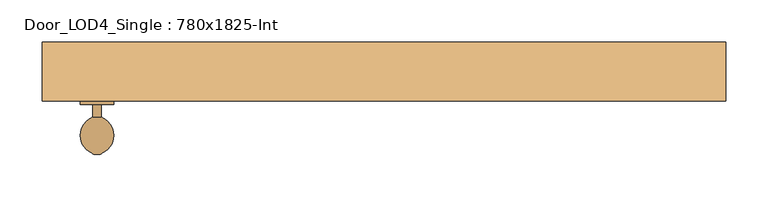
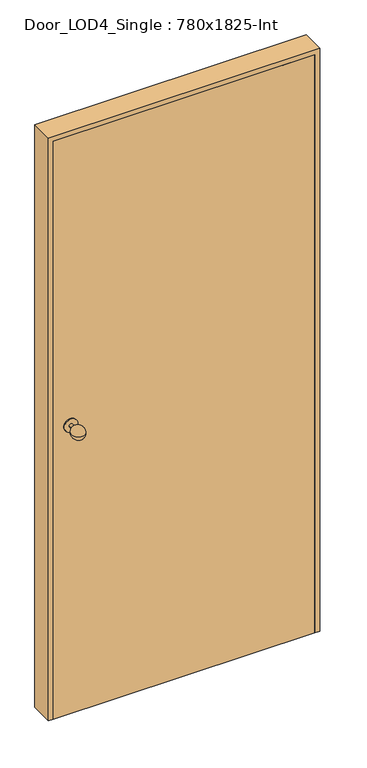
"""IFC4 building model written with IfcOpenShell, lengths in millimetres: door geometry, Door_LOD4_Single : 780x1825-Int."""

from ifc_helpers import new_model, si_unit, point, frame, origin, origin_with_axes, place, context, project, spatial, polyline, circle_curve, ellipse_curve, trimmed, outline, extrude, source, transform, mapped, element, save
from ifc_brep_helpers import plane_surface, cylinder_surface, revolved_surface, advanced_brep


def door_lod4_single_780x1825_int_4311696e(model_context):
    return source(origin(), model_context, "Body", "SolidModel", [
        extrude(outline(polyline([(390.0000156, 5.0), (390.0000156, -35.0), (-390.0000156, -35.0), (-390.0000156, 5.0), (390.0000156, 5.0)])), origin_with_axes(), (0.0, 0.0, 1.0), 1825.0000731),
        advanced_brep(
        [(-335.0000156, -54.0, 912.5000365), (-340.0000156, -98.437411, 912.5000365), (-345.0000156, -54.0, 912.5000365), (-335.0000156, -39.0, 912.5000365), (-345.0000156, -39.0, 912.5000365), (-360.0000156, -39.0, 912.5000365), (-320.0000156, -39.0, 912.5000365), (-360.0000156, -35.0, 912.5000365), (-320.0000156, -35.0, 912.5000365)],
        [
            (0, 1, circle_curve(frame((-343.1885018, -75.5786495, 912.5000365), z_axis=(0.0, 0.0, -1.0), x_axis=(0.0, 1.0, 0.0)), 23.0800654)),
            (1, 2, circle_curve(frame((-336.8115295, -75.5786495, 912.5000365), z_axis=(0.0, 0.0, -1.0), x_axis=(0.0, 1.0, 0.0)), 23.0800654)),
            (2, 0, circle_curve(frame((-340.0000156, -54.0, 912.5000365), z_axis=(0.0, -1.0, 0.0), x_axis=(-1.0, 0.0, 0.0)), 5.0)),
            (0, 3),
            (3, 4, circle_curve(frame((-340.0000156, -39.0, 912.5000365), z_axis=(0.0, -1.0, 0.0), x_axis=(-1.0, 0.0, 0.0)), 5.0)),
            (4, 2),
            (2, 0, circle_curve(frame((-340.0000156, -54.0, 912.5000365), z_axis=(0.0, 1.0, 0.0), x_axis=(-1.0, 0.0, 0.0)), 5.0)),
            (5, 6, circle_curve(frame((-340.0000156, -39.0, 912.5000365), z_axis=(0.0, -1.0, 0.0), x_axis=(1.0, 0.0, 0.0)), 20.0)),
            (6, 5, circle_curve(frame((-340.0000156, -39.0, 912.5000365), z_axis=(0.0, -1.0, 0.0), x_axis=(1.0, 0.0, 0.0)), 20.0)),
            (3, 4, circle_curve(frame((-340.0000156, -39.0, 912.5000365), z_axis=(0.0, 1.0, 0.0), x_axis=(-1.0, 0.0, 0.0)), 5.0)),
            (7, 8, circle_curve(frame((-340.0000156, -35.0, 912.5000365), z_axis=(0.0, 1.0, 0.0), x_axis=(1.0, 0.0, 0.0)), 20.0)),
            (8, 7, circle_curve(frame((-340.0000156, -35.0, 912.5000365), z_axis=(0.0, 1.0, 0.0), x_axis=(1.0, 0.0, 0.0)), 20.0)),
            (8, 6),
            (5, 7),
        ],
        [
            revolved_surface(trimmed(ellipse_curve(frame((-336.8115295, -75.5786495, 912.5000365), z_axis=(0.0, 0.0, -1.0), x_axis=(0.0, 1.0, 0.0)), 23.0800654, 23.0800654), [point((-340.0000156, -98.437411, 912.5000365))], [point((-345.0000156, -54.0, 912.5000365))], True, "CARTESIAN"), (-340.0000156, -39.0, 912.5000365), (0.0, 1.0, 0.0)),
            cylinder_surface(frame((-340.0000156, -39.0, 912.5000365), z_axis=(0.0, 1.0, 0.0), x_axis=(-1.0, 0.0, 0.0)), 5.0),
            plane_surface(frame((-320.0000156, -39.0, 912.5000365), z_axis=(0.0, -1.0, 0.0), x_axis=(0.0, 0.0, -1.0))),
            plane_surface(frame((-320.0000156, -35.0, 912.5000365), z_axis=(0.0, 1.0, 0.0), x_axis=(0.0, 0.0, 1.0))),
            cylinder_surface(frame((-340.0000156, -39.0, 912.5000365), z_axis=(0.0, 1.0, 0.0), x_axis=(1.0, 0.0, 0.0)), 20.0),
        ],
        [
            (0, [[1, 2, 3]]),
            (1, [[4, 5, 6, 7]]),
            (2, [[8, 9], [-5, 10]]),
            (0, [[-1, -7, -2]]),
            (1, [[-6, -10, -4, -3]]),
            (3, [[11, 12]]),
            (4, [[13, -8, 14, -12]]),
            (4, [[-14, -9, -13, -11]]),
        ],
    ),
        extrude(outline(polyline([(1840.0000731, -405.0000156), (0.0, -405.0000156), (0.0, -390.0000156), (1825.0000731, -390.0000156), (1825.0000731, 390.0000156), (0.0, 390.0000156), (0.0, 405.0000156), (1840.0000731, 405.0000156), (1840.0000731, -405.0000156)])), frame((0.0, -35.0, 0.0), z_axis=(0.0, 1.0, 0.0), x_axis=(0.0, 0.0, 1.0)), (0.0, 0.0, 1.0), 70.0),
    ])


if __name__ == "__main__":
    model = new_model("IFC4")
    model_context = context("Model", 3, world=origin())
    ifc_project = project(units=[si_unit("LENGTHUNIT", "METRE", prefix="MILLI")], contexts=[model_context])
    site = spatial("IfcSite", under=ifc_project)
    building = spatial("IfcBuilding", under=site)
    placement = place(None, origin())
    door_lod4_single_780x1825_int_shape = door_lod4_single_780x1825_int_4311696e(model_context)
    element("IfcDoor", 1, ObjectType="Door_LOD4_Single : 780x1825-Int", at=placement, inside=building, context=model_context, shape_type="MappedRepresentation", body=[
        mapped(door_lod4_single_780x1825_int_shape, transform((0.0, 0.0, 0.0), x_axis=(1.0, 0.0, 0.0), y_axis=(0.0, 1.0, 0.0), z_axis=(0.0, 0.0, 1.0))),
    ])
    save(model, "model.ifc")
